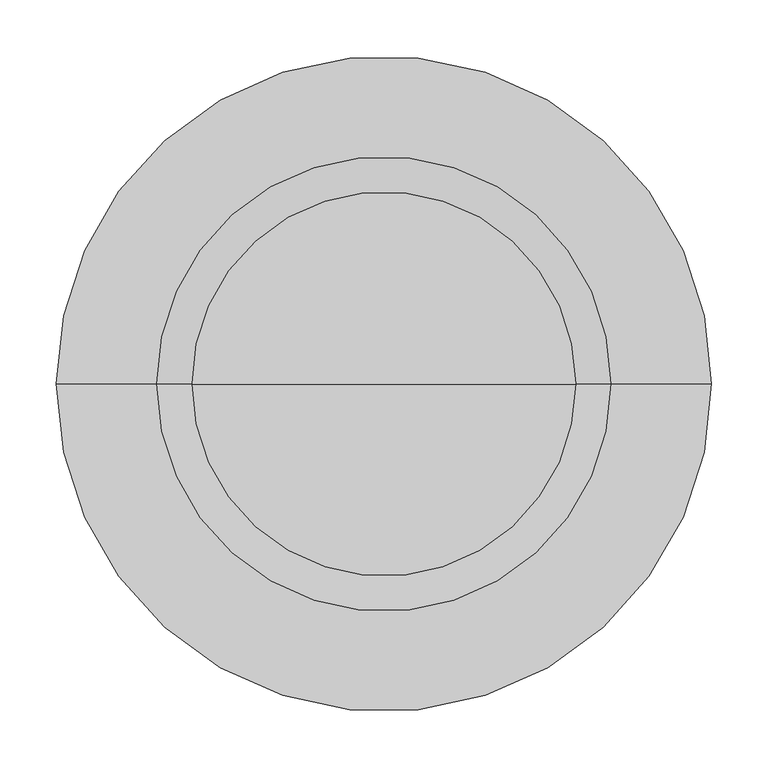
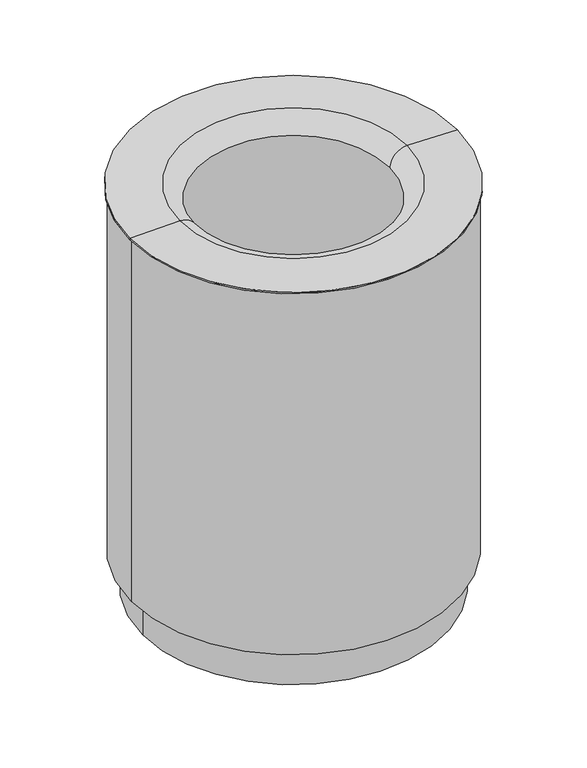
"""IFC4 building model written with IfcOpenShell, lengths in millimetres: furniture geometry."""

from ifc_helpers import new_model, si_unit, point, frame, origin, place, context, project, spatial, polyline, circle_curve, ellipse_curve, trimmed, source, transform, mapped, element, save
from ifc_brep_helpers import plane_surface, cylinder_surface, revolved_surface, advanced_brep


def furniture_ddfaf151(model_context):
    return source(origin(), model_context, "Body", "AdvancedBrep", [
        advanced_brep(
        [(-283.8817565, 0.0, 73.0834801), (283.8817565, 0.0, 73.0834801), (283.8817565, 0.0, 721.5668895), (-283.8817565, 0.0, 721.5668895), (0.0, 0.0, 73.0834801), (-266.9730709, 0.0, 0.0), (266.9730709, 0.0, 0.0), (0.0, 0.0, 0.0), (-266.9730709, 0.0, 69.9883402), (266.9730709, 0.0, 69.9883402), (-286.9122293, 0.0, 69.9883402), (286.9122293, 0.0, 69.9883402), (-286.9122293, 0.0, 747.4247078), (286.9122293, 0.0, 747.4247078), (-290.0436688, 0.0, 747.4247078), (290.0436688, 0.0, 747.4247078), (-290.0436688, 0.0, 749.9835408), (290.0436688, 0.0, 749.9835408), (-201.4600699, 0.0, 751.5297733), (201.4600699, 0.0, 751.5297733), (-170.2882578, 0.0, 721.5668895), (170.2882578, 0.0, 721.5668895)],
        [
            (0, 1, circle_curve(frame((0.0, 0.0, 73.0834801), z_axis=(0.0, 0.0, -1.0), x_axis=(1.0, 0.0, 0.0)), 283.8817565)),
            (1, 2),
            (2, 3, circle_curve(frame((0.0, 0.0, 721.5668895), z_axis=(0.0, 0.0, 1.0), x_axis=(1.0, 0.0, 0.0)), 283.8817565)),
            (3, 0),
            (1, 0, circle_curve(frame((0.0, 0.0, 73.0834801), z_axis=(0.0, 0.0, -1.0), x_axis=(1.0, 0.0, 0.0)), 283.8817565)),
            (3, 2, circle_curve(frame((0.0, 0.0, 721.5668895), z_axis=(0.0, 0.0, 1.0), x_axis=(1.0, 0.0, 0.0)), 283.8817565)),
            (4, 1),
            (0, 4),
            (5, 6, circle_curve(frame((0.0, 0.0, 0.0), z_axis=(0.0, 0.0, -1.0), x_axis=(1.0, 0.0, 0.0)), 266.9730709)),
            (6, 7),
            (7, 5),
            (6, 5, circle_curve(frame((0.0, 0.0, 0.0), z_axis=(0.0, 0.0, -1.0), x_axis=(1.0, 0.0, 0.0)), 266.9730709)),
            (8, 9, circle_curve(frame((0.0, 0.0, 69.9883402), z_axis=(0.0, 0.0, -1.0), x_axis=(1.0, 0.0, 0.0)), 266.9730709)),
            (9, 6),
            (5, 8),
            (9, 8, circle_curve(frame((0.0, 0.0, 69.9883402), z_axis=(0.0, 0.0, -1.0), x_axis=(1.0, 0.0, 0.0)), 266.9730709)),
            (10, 11, circle_curve(frame((0.0, 0.0, 69.9883402), z_axis=(0.0, 0.0, -1.0), x_axis=(1.0, 0.0, 0.0)), 286.9122293)),
            (11, 9),
            (8, 10),
            (11, 10, circle_curve(frame((0.0, 0.0, 69.9883402), z_axis=(0.0, 0.0, -1.0), x_axis=(1.0, 0.0, 0.0)), 286.9122293)),
            (12, 13, circle_curve(frame((0.0, 0.0, 747.4247078), z_axis=(0.0, 0.0, -1.0), x_axis=(1.0, 0.0, 0.0)), 286.9122293)),
            (13, 11),
            (10, 12),
            (13, 12, circle_curve(frame((0.0, 0.0, 747.4247078), z_axis=(0.0, 0.0, -1.0), x_axis=(1.0, 0.0, 0.0)), 286.9122293)),
            (14, 15, circle_curve(frame((0.0, 0.0, 747.4247078), z_axis=(0.0, 0.0, -1.0), x_axis=(1.0, 0.0, 0.0)), 290.0436688)),
            (15, 13),
            (12, 14),
            (15, 14, circle_curve(frame((0.0, 0.0, 747.4247078), z_axis=(0.0, 0.0, -1.0), x_axis=(1.0, 0.0, 0.0)), 290.0436688)),
            (16, 17, circle_curve(frame((0.0, 0.0, 749.9835408), z_axis=(0.0, 0.0, -1.0), x_axis=(1.0, 0.0, 0.0)), 290.0436688)),
            (17, 15),
            (14, 16),
            (17, 16, circle_curve(frame((0.0, 0.0, 749.9835408), z_axis=(0.0, 0.0, -1.0), x_axis=(1.0, 0.0, 0.0)), 290.0436688)),
            (18, 19, circle_curve(frame((0.0, 0.0, 751.5297733), z_axis=(0.0, 0.0, -1.0), x_axis=(1.0, 0.0, 0.0)), 201.4600699)),
            (19, 17),
            (16, 18),
            (19, 18, circle_curve(frame((0.0, 0.0, 751.5297733), z_axis=(0.0, 0.0, -1.0), x_axis=(1.0, 0.0, 0.0)), 201.4600699)),
            (20, 21, circle_curve(frame((0.0, 0.0, 721.5668895), z_axis=(0.0, 0.0, -1.0), x_axis=(1.0, 0.0, 0.0)), 170.2882578)),
            (21, 19, circle_curve(frame((200.9252501, 0.0, 720.889971), z_axis=(0.0, 1.0, 0.0), x_axis=(1.0, 0.0, 0.0)), 30.6444696)),
            (18, 20, circle_curve(frame((-200.9252501, 0.0, 720.889971), z_axis=(0.0, 1.0, 0.0), x_axis=(-1.0, 0.0, 0.0)), 30.6444696)),
            (21, 20, circle_curve(frame((0.0, 0.0, 721.5668895), z_axis=(0.0, 0.0, -1.0), x_axis=(1.0, 0.0, 0.0)), 170.2882578)),
            (2, 21),
            (20, 3),
        ],
        [
            revolved_surface(polyline([(283.8817565, 0.0, 721.5668894999999), (283.8817565, 0.0, 73.08348010000009)]), (0.0, 0.0, 2150.5545468), (0.0, 0.0, 1.0)),
            plane_surface(frame((0.0, 0.0, 73.0834801), z_axis=(0.0, 0.0, 1.0), x_axis=(1.0, 0.0, 0.0))),
            plane_surface(frame((0.0, 0.0, 0.0), z_axis=(0.0, 0.0, -1.0), x_axis=(1.0, 0.0, 0.0))),
            cylinder_surface(frame((0.0, 0.0, 2150.5545468), z_axis=(0.0, 0.0, 1.0), x_axis=(1.0, 0.0, 0.0)), 266.9730709),
            plane_surface(frame((0.0, 0.0, 69.9883402), z_axis=(0.0, 0.0, -1.0), x_axis=(1.0, 0.0, 0.0))),
            cylinder_surface(frame((0.0, 0.0, 2150.5545468), z_axis=(0.0, 0.0, 1.0), x_axis=(1.0, 0.0, 0.0)), 286.9122293),
            plane_surface(frame((0.0, 0.0, 747.4247078), z_axis=(0.0, 0.0, -1.0), x_axis=(1.0, 0.0, 0.0))),
            cylinder_surface(frame((0.0, 0.0, 2150.5545468), z_axis=(0.0, 0.0, 1.0), x_axis=(1.0, 0.0, 0.0)), 290.0436688),
            revolved_surface(polyline([(290.0436688, 0.0, 749.9835408), (201.4600699, 0.0, 751.5297733)]), (0.0, 0.0, 2150.5545468), (0.0, 0.0, 1.0)),
            revolved_surface(trimmed(ellipse_curve(frame((200.9252501, 0.0, 720.889971), z_axis=(0.0, -1.0, 0.0), x_axis=(1.0, 0.0, 0.0)), 30.6444696, 30.6444696), [point((201.4600699, 0.0, 751.5297733))], [point((170.2882578, 0.0, 721.5668895))], True, "CARTESIAN"), (0.0, 0.0, 2150.5545468), (0.0, 0.0, 1.0)),
            plane_surface(frame((0.0, 0.0, 721.5668895), z_axis=(0.0, 0.0, -1.0), x_axis=(1.0, 0.0, 0.0))),
        ],
        [
            (0, [[1, 2, 3, 4]]),
            (0, [[5, -4, 6, -2]]),
            (1, [[7, -1, 8]]),
            (1, [[-8, -5, -7]]),
            (2, [[9, 10, 11]]),
            (2, [[12, -11, -10]]),
            (3, [[13, 14, -9, 15]]),
            (3, [[16, -15, -12, -14]]),
            (4, [[17, 18, -13, 19]]),
            (4, [[20, -19, -16, -18]]),
            (5, [[21, 22, -17, 23]]),
            (5, [[24, -23, -20, -22]]),
            (6, [[25, 26, -21, 27]]),
            (6, [[28, -27, -24, -26]]),
            (7, [[29, 30, -25, 31]]),
            (7, [[32, -31, -28, -30]]),
            (8, [[33, 34, -29, 35]]),
            (8, [[36, -35, -32, -34]]),
            (9, [[37, 38, -33, 39]]),
            (9, [[40, -39, -36, -38]]),
            (10, [[-3, 41, -37, 42]]),
            (10, [[-6, -42, -40, -41]]),
        ],
    ),
    ])


if __name__ == "__main__":
    model = new_model("IFC4")
    model_context = context("Model", 3, world=origin())
    ifc_project = project(units=[si_unit("LENGTHUNIT", "METRE", prefix="MILLI")], contexts=[model_context])
    site = spatial("IfcSite", under=ifc_project)
    building = spatial("IfcBuilding", under=site)
    placement = place(None, origin())
    furniture_shape = furniture_ddfaf151(model_context)
    element("IfcFurniture", 1, at=placement, inside=building, context=model_context, shape_type="MappedRepresentation", body=[
        mapped(furniture_shape, transform((0.0, 0.0, 0.0), x_axis=(1.0, 0.0, 0.0), y_axis=(0.0, 1.0, 0.0), z_axis=(0.0, 0.0, 1.0))),
    ])
    save(model, "model.ifc")
